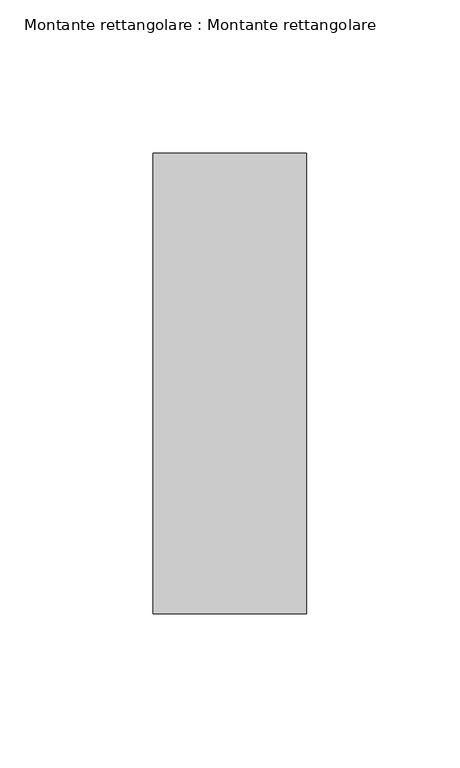
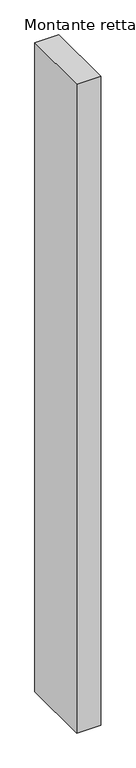
"""IFC4 building model written with IfcOpenShell, lengths in millimetres: member geometry, Montante rettangolare : Montante rettangolare."""

from ifc_helpers import new_model, si_unit, frame, origin, place, context, project, spatial, polyline, outline, extrude, source, transform, mapped, element, save


def montante_rettangolare_montante_rettangolare_751a5dca(model_context):
    return source(origin(), model_context, "Body", "SweptSolid", [
        extrude(outline(polyline([(0.0, 75.0), (0.0, -75.0), (-50.0, -75.0), (-50.0, 75.0), (0.0, 75.0)])), frame((0.0, 0.0, -1425.0), z_axis=(0.0, 0.0, 1.0), x_axis=(1.0, 0.0, 0.0)), (0.0, 0.0, 1.0), 1425.0),
    ])


if __name__ == "__main__":
    model = new_model("IFC4")
    model_context = context("Model", 3, world=origin())
    ifc_project = project(units=[si_unit("LENGTHUNIT", "METRE", prefix="MILLI")], contexts=[model_context])
    site = spatial("IfcSite", under=ifc_project)
    building = spatial("IfcBuilding", under=site)
    placement = place(None, origin())
    montante_rettangolare_montante_rettangolare_shape = montante_rettangolare_montante_rettangolare_751a5dca(model_context)
    element("IfcMember", 1, ObjectType="Montante rettangolare : Montante rettangolare", at=placement, inside=building, context=model_context, shape_type="MappedRepresentation", body=[
        mapped(montante_rettangolare_montante_rettangolare_shape, transform((0.0, 0.0, 0.0), x_axis=(1.0, 0.0, 0.0), y_axis=(0.0, 1.0, 0.0), z_axis=(0.0, 0.0, 1.0))),
    ])
    save(model, "model.ifc")
